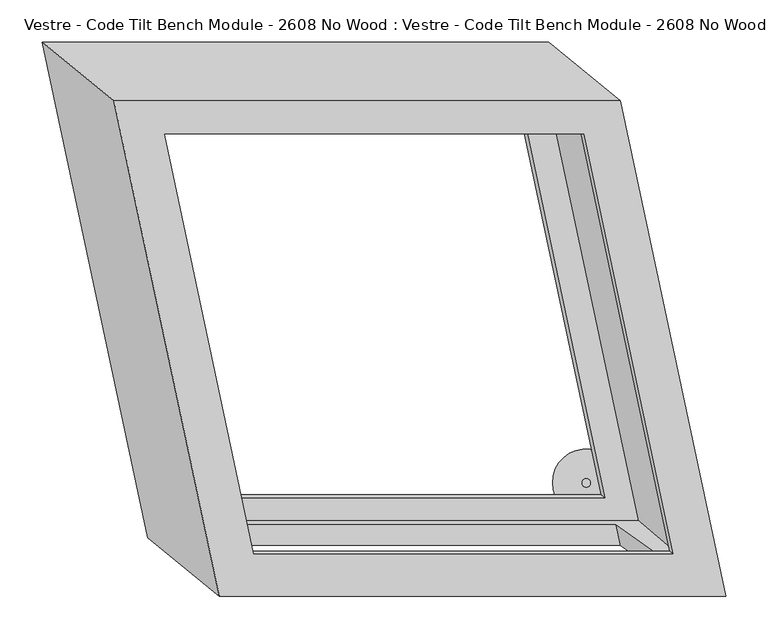
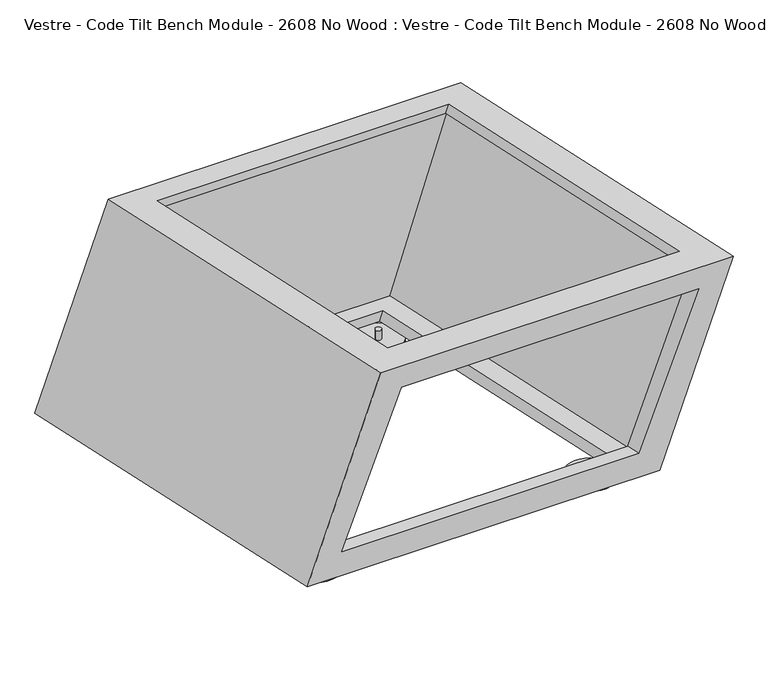
"""IFC4 building model written with IfcOpenShell, lengths in millimetres: furniture geometry, Vestre - Code Tilt Bench Module - 2608 No Wood : Vestre - Code Tilt Bench Module - 2608 No Wood."""

from ifc_helpers import new_model, si_unit, point, frame, frame_2d, origin, origin_with_axes, place, context, project, spatial, circle_curve, trimmed, segment, composite_curve, outline, extrude, faceted_brep, source, transform, mapped, element, save


def vestre_code_tilt_bench_module_2608_no_wood_vestre_code_tilt_3def8d6c(model_context):
    return source(origin(), model_context, "Body", "SolidModel", [
        extrude(outline(composite_curve([segment(trimmed(circle_curve(frame_2d((-379.2374486, 228.4385142)), 5.0), [point((-374.2374486, 228.4385142))], [point((-384.2374486, 228.4385142))], False, "CARTESIAN"), True, "CONTINUOUS"), segment(trimmed(circle_curve(frame_2d((-379.2374486, 228.4385142)), 5.0), [point((-384.2374486, 228.4385142))], [point((-374.2374486, 228.4385142))], False, "CARTESIAN"), True, "CONTINUOUS")], self_intersect=False)), frame((0.0, 0.0, 5.0), z_axis=(0.0, 0.0, 1.0), x_axis=(1.0, 0.0, 0.0)), (0.0, 0.0, 1.0), 16.8677277),
        extrude(outline(composite_curve([segment(trimmed(circle_curve(frame_2d((87.8263213, 228.4385142)), 5.0), [point((92.8263213, 228.4385142))], [point((82.8263213, 228.4385142))], False, "CARTESIAN"), True, "CONTINUOUS"), segment(trimmed(circle_curve(frame_2d((87.8263213, 228.4385142)), 5.0), [point((82.8263213, 228.4385142))], [point((92.8263213, 228.4385142))], False, "CARTESIAN"), True, "CONTINUOUS")], self_intersect=False)), frame((0.0, 0.0, 5.0), z_axis=(0.0, 0.0, 1.0), x_axis=(1.0, 0.0, 0.0)), (0.0, 0.0, 1.0), 16.8677277),
        faceted_brep([(-249.744726, -362.9784336, 419.8134138), (350.255274, -362.9784336, 419.8134138), (225.5082596, 223.9101268, 419.8134138), (-374.4917404, 223.9101268, 419.8134138), (287.594671, -312.2208839, 419.8134138), (-208.6618234, -312.2208839, 419.8134138), (-314.2670481, 184.6126361, 419.8134138), (181.9894462, 184.6126361, 419.8134138), (-334.6932278, -293.4442802, 21.8677277), (-459.4402423, 293.4442802, 21.8677277), (140.5597577, 293.4442802, 21.8677277), (265.3067722, -293.4442802, 21.8677277), (-293.6103253, -242.6867305, 21.8677277), (202.6461691, -242.6867305, 21.8677277), (99.0835894, 244.5369002, 21.8677277), (-397.172905, 244.5369002, 21.8677277), (-209.3488955, -355.103719, 374.7462265), (296.709699, -355.103719, 374.7462265), (225.0941493, -302.1809189, 71.8677277), (-280.9644451, -302.1809189, 71.8677277), (284.0453984, -309.3156453, 403.1866612), (-212.211096, -309.3156453, 403.1866612), (-289.5258429, -246.0300623, 41.0016985), (206.7306515, -246.0300623, 41.0016985), (178.5255183, 187.1163595, 403.1866612), (103.0698576, 241.6556298, 41.0016985), (-317.730976, 187.1163595, 403.1866612), (-393.1866367, 241.6556298, 41.0016985), (-215.0563962, -328.2520393, 374.7462265), (291.0021983, -328.2520393, 374.7462265), (219.9541961, -277.9993402, 71.8677277), (-286.1043984, -277.9993402, 71.8677277), (-224.6981062, -332.9707916, 403.1866612), (-340.5414324, 212.0292084, 403.1866612), (201.2990829, 212.0292084, 403.1866612), (317.142409, -332.9707916, 403.1866612), (-322.5535579, -272.8781405, 41.0016985), (246.6076242, -272.8781405, 41.0016985), (131.2549878, 269.8133464, 41.0016985), (-437.9061944, 269.8133464, 41.0016985)], [[[0, 1, 2, 3], [4, 5, 6, 7]], [[8, 9, 10, 11], [12, 13, 14, 15]], [[1, 0, 8, 11], [16, 17, 18, 19]], [[2, 1, 11, 10]], [[3, 2, 10, 9]], [[0, 3, 9, 8]], [[5, 4, 20, 21]], [[13, 12, 22, 23]], [[4, 7, 24, 20]], [[14, 13, 23, 25]], [[7, 6, 26, 24]], [[15, 14, 25, 27]], [[6, 5, 21, 26]], [[12, 15, 27, 22]], [[17, 16, 28, 29]], [[19, 18, 30, 31]], [[18, 17, 29, 30]], [[16, 19, 31, 28]], [[32, 33, 34, 35], [21, 20, 24, 26]], [[36, 37, 38, 39], [23, 22, 27, 25]], [[32, 35, 37, 36], [29, 28, 31, 30]], [[35, 34, 38, 37]], [[34, 33, 39, 38]], [[33, 32, 36, 39]]]),
        extrude(outline(composite_curve([segment(trimmed(circle_curve(frame_2d((-379.2930885, 228.6816045)), 40.0), [point((-339.2930885, 228.6816045))], [point((-419.2930885, 228.6816045))], False, "CARTESIAN"), True, "CONTINUOUS"), segment(trimmed(circle_curve(frame_2d((-379.2930885, 228.6816045)), 40.0), [point((-419.2930885, 228.6816045))], [point((-339.2930885, 228.6816045))], False, "CARTESIAN"), True, "CONTINUOUS")], self_intersect=False)), origin_with_axes(), (0.0, 0.0, 1.0), 5.0),
        extrude(outline(composite_curve([segment(trimmed(circle_curve(frame_2d((87.7706813, 228.6816045)), 40.0), [point((127.7706813, 228.6816045))], [point((47.7706813, 228.6816045))], False, "CARTESIAN"), True, "CONTINUOUS"), segment(trimmed(circle_curve(frame_2d((87.7706813, 228.6816045)), 40.0), [point((47.7706813, 228.6816045))], [point((127.7706813, 228.6816045))], False, "CARTESIAN"), True, "CONTINUOUS")], self_intersect=False)), origin_with_axes(), (0.0, 0.0, 1.0), 5.0),
        extrude(outline(composite_curve([segment(trimmed(circle_curve(frame_2d((-282.0328456, -228.5027868)), 5.0), [point((-287.0328456, -228.5027868))], [point((-277.0328456, -228.5027868))], False, "CARTESIAN"), True, "CONTINUOUS"), segment(trimmed(circle_curve(frame_2d((-282.0328456, -228.5027868)), 5.0), [point((-277.0328456, -228.5027868))], [point((-287.0328456, -228.5027868))], False, "CARTESIAN"), True, "CONTINUOUS")], self_intersect=False)), frame((0.0, 0.0, 5.0), z_axis=(0.0, 0.0, 1.0), x_axis=(1.0, 0.0, 0.0)), (0.0, 0.0, 1.0), 16.8677277),
        extrude(outline(composite_curve([segment(trimmed(circle_curve(frame_2d((184.9661106, -228.5027868)), 5.0), [point((179.9661106, -228.5027868))], [point((189.9661106, -228.5027868))], False, "CARTESIAN"), True, "CONTINUOUS"), segment(trimmed(circle_curve(frame_2d((184.9661106, -228.5027868)), 5.0), [point((189.9661106, -228.5027868))], [point((179.9661106, -228.5027868))], False, "CARTESIAN"), True, "CONTINUOUS")], self_intersect=False)), frame((0.0, 0.0, 5.0), z_axis=(0.0, 0.0, 1.0), x_axis=(1.0, 0.0, 0.0)), (0.0, 0.0, 1.0), 16.8677277),
        extrude(outline(composite_curve([segment(trimmed(circle_curve(frame_2d((-281.9772057, -228.2596966)), 40.0), [point((-321.9772057, -228.2596966))], [point((-241.9772057, -228.2596966))], False, "CARTESIAN"), True, "CONTINUOUS"), segment(trimmed(circle_curve(frame_2d((-281.9772057, -228.2596966)), 40.0), [point((-241.9772057, -228.2596966))], [point((-321.9772057, -228.2596966))], False, "CARTESIAN"), True, "CONTINUOUS")], self_intersect=False)), origin_with_axes(), (0.0, 0.0, 1.0), 5.0),
        extrude(outline(composite_curve([segment(trimmed(circle_curve(frame_2d((185.0217505, -228.2596966)), 40.0), [point((145.0217505, -228.2596966))], [point((225.0217505, -228.2596966))], False, "CARTESIAN"), True, "CONTINUOUS"), segment(trimmed(circle_curve(frame_2d((185.0217505, -228.2596966)), 40.0), [point((225.0217505, -228.2596966))], [point((145.0217505, -228.2596966))], False, "CARTESIAN"), True, "CONTINUOUS")], self_intersect=False)), origin_with_axes(), (0.0, 0.0, 1.0), 5.0),
    ])


if __name__ == "__main__":
    model = new_model("IFC4")
    model_context = context("Model", 3, world=origin())
    ifc_project = project(units=[si_unit("LENGTHUNIT", "METRE", prefix="MILLI")], contexts=[model_context])
    site = spatial("IfcSite", under=ifc_project)
    building = spatial("IfcBuilding", under=site)
    placement = place(None, origin())
    vestre_code_tilt_bench_module_2608_no_wood_vestre_code_tilt_shape = vestre_code_tilt_bench_module_2608_no_wood_vestre_code_tilt_3def8d6c(model_context)
    element("IfcFurniture", 1, ObjectType="Vestre - Code Tilt Bench Module - 2608 No Wood : Vestre - Code Tilt Bench Module - 2608 No Wood", at=placement, inside=building, context=model_context, shape_type="MappedRepresentation", body=[
        mapped(vestre_code_tilt_bench_module_2608_no_wood_vestre_code_tilt_shape, transform((0.0, 0.0, 0.0), x_axis=(1.0, 0.0, 0.0), y_axis=(0.0, 1.0, 0.0), z_axis=(0.0, 0.0, 1.0))),
    ])
    save(model, "model.ifc")
